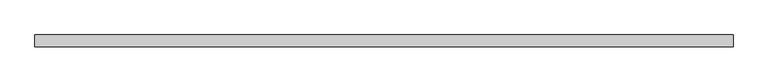
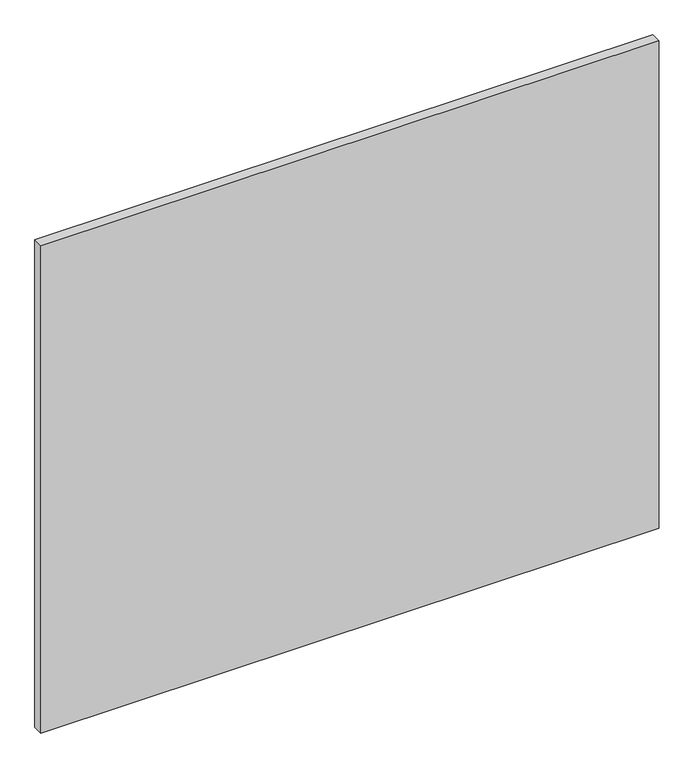
"""IFC4 building model written with IfcOpenShell, lengths in millimetres: proxy geometry."""

from ifc_helpers import new_model, si_unit, origin, origin_with_axes, place, context, project, spatial, polyline, outline, extrude, source, transform, mapped, element, save


def generic_models_c5dac245(model_context):
    return source(origin(), model_context, "Body", "SweptSolid", [
        extrude(outline(polyline([(0.0, 100.0), (0.0, 0.0), (-6000.0, 0.0), (-6000.0, 100.0), (0.0, 100.0)])), origin_with_axes(), (0.0, 0.0, 1.0), 5000.0),
    ])


if __name__ == "__main__":
    model = new_model("IFC4")
    model_context = context("Model", 3, world=origin())
    ifc_project = project(units=[si_unit("LENGTHUNIT", "METRE", prefix="MILLI")], contexts=[model_context])
    site = spatial("IfcSite", under=ifc_project)
    building = spatial("IfcBuilding", under=site)
    placement = place(None, origin())
    generic_models_shape = generic_models_c5dac245(model_context)
    element("IfcBuildingElementProxy", 1, Name="Generic Models", at=placement, inside=building, context=model_context, shape_type="MappedRepresentation", body=[
        mapped(generic_models_shape, transform((0.0, 0.0, 0.0), x_axis=(1.0, 0.0, 0.0), y_axis=(0.0, 1.0, 0.0), z_axis=(0.0, 0.0, 1.0))),
    ])
    save(model, "model.ifc")
